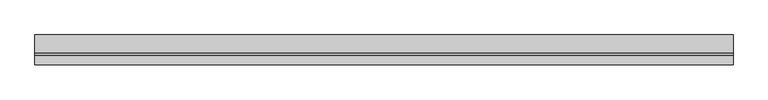
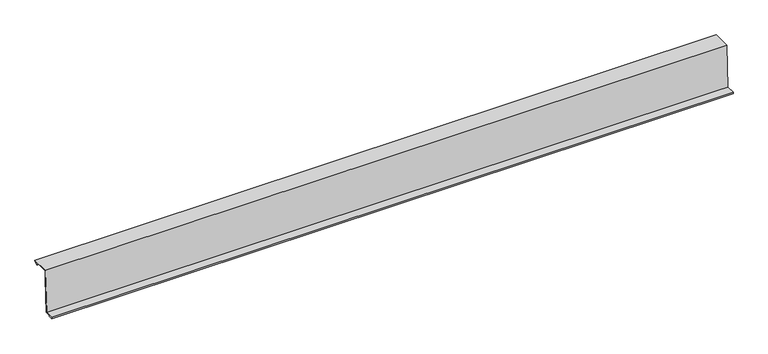
"""IFC4 building model written with IfcOpenShell, lengths in millimetres: proxy geometry."""

from ifc_helpers import new_model, si_unit, origin, place, context, project, spatial, faceted_brep, source, transform, mapped, element, save


def generic_models_3d6f4802(model_context):
    return source(origin(), model_context, "Body", "Brep", [
        faceted_brep([(0.0, 0.0, 80.8926774), (0.0, 0.0, 100.0), (0.0, 40.0, 100.0), (0.0, 32.9289322, 92.9289322), (0.0, 32.2218254, 93.636039), (0.0, 37.5857864, 99.0), (0.0, 0.9489646, 99.0), (0.0, -4.0297745, 4.0), (0.0, -23.978739, 4.0), (0.0, -23.978739, 3.0), (0.0, -14.978739, 3.0), (0.0, -14.978739, 2.0), (0.0, -24.978739, 2.0), (0.0, -24.978739, 5.0), (0.0, -4.978739, 5.0), (1510.0, 0.0, 100.0), (1510.0, 0.0, 80.8926774), (1510.0, 0.9489646, 99.0), (1510.0, 37.5857864, 99.0), (1510.0, 32.2218254, 93.636039), (1510.0, 32.9289322, 92.9289322), (1510.0, 40.0, 100.0), (1510.0, -4.978739, 5.0), (1510.0, -24.978739, 5.0), (1510.0, -24.978739, 2.0), (1510.0, -14.978739, 2.0), (1510.0, -14.978739, 3.0), (1510.0, -23.978739, 3.0), (1510.0, -23.978739, 4.0), (1510.0, -4.0297745, 4.0)], [[[0, 1, 2, 3, 4, 5, 6]], [[1, 0, 7, 8, 9, 10, 11, 12, 13, 14]], [[15, 16, 17, 18, 19, 20, 21]], [[16, 15, 22, 23, 24, 25, 26, 27, 28, 29]], [[12, 11, 25, 24]], [[11, 10, 26, 25]], [[10, 9, 27, 26]], [[9, 8, 28, 27]], [[8, 7, 29, 28]], [[0, 6, 17, 16, 29, 7]], [[6, 5, 18, 17]], [[5, 4, 19, 18]], [[4, 3, 20, 19]], [[3, 2, 21, 20]], [[2, 1, 15, 21]], [[1, 14, 22, 15]], [[14, 13, 23, 22]], [[13, 12, 24, 23]]]),
    ])


if __name__ == "__main__":
    model = new_model("IFC4")
    model_context = context("Model", 3, world=origin())
    ifc_project = project(units=[si_unit("LENGTHUNIT", "METRE", prefix="MILLI")], contexts=[model_context])
    site = spatial("IfcSite", under=ifc_project)
    building = spatial("IfcBuilding", under=site)
    placement = place(None, origin())
    generic_models_shape = generic_models_3d6f4802(model_context)
    element("IfcBuildingElementProxy", 1, Name="Generic Models", at=placement, inside=building, context=model_context, shape_type="MappedRepresentation", body=[
        mapped(generic_models_shape, transform((0.0, 0.0, 0.0), x_axis=(1.0, 0.0, 0.0), y_axis=(0.0, 1.0, 0.0), z_axis=(0.0, 0.0, 1.0))),
    ])
    save(model, "model.ifc")
